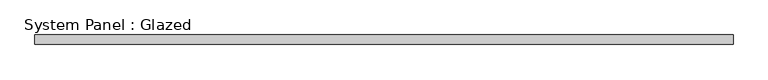
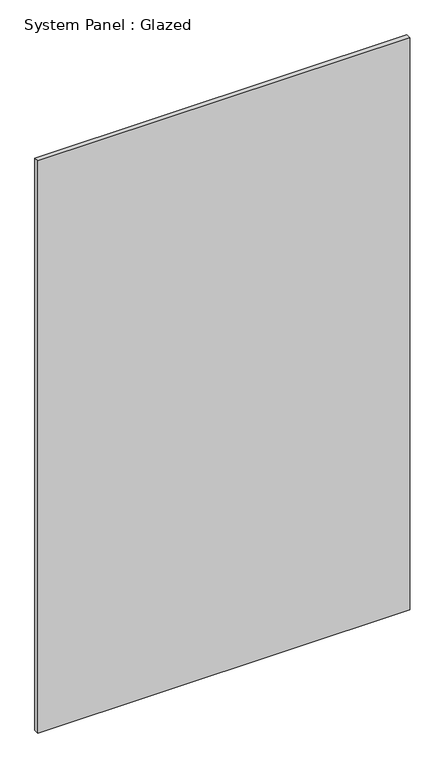
"""IFC4 building model written with IfcOpenShell, lengths in millimetres: plate geometry, System Panel : Glazed."""

from ifc_helpers import new_model, si_unit, origin, origin_with_axes, place, context, project, spatial, polyline, outline, extrude, source, transform, mapped, element, save


def system_panel_glazed_bf0abaaa(model_context):
    return source(origin(), model_context, "Body", "SweptSolid", [
        extrude(outline(polyline([(915.0000002, 24.5), (-915.0000002, 24.5), (-915.0000002, 49.5), (915.0000002, 49.5), (915.0000002, 24.5)])), origin_with_axes(), (0.0, 0.0, 1.0), 2976.0),
    ])


if __name__ == "__main__":
    model = new_model("IFC4")
    model_context = context("Model", 3, world=origin())
    ifc_project = project(units=[si_unit("LENGTHUNIT", "METRE", prefix="MILLI")], contexts=[model_context])
    site = spatial("IfcSite", under=ifc_project)
    building = spatial("IfcBuilding", under=site)
    placement = place(None, origin())
    system_panel_glazed_shape = system_panel_glazed_bf0abaaa(model_context)
    element("IfcPlate", 1, ObjectType="System Panel : Glazed", at=placement, inside=building, context=model_context, shape_type="MappedRepresentation", body=[
        mapped(system_panel_glazed_shape, transform((0.0, 0.0, 0.0), x_axis=(1.0, 0.0, 0.0), y_axis=(0.0, 1.0, 0.0), z_axis=(0.0, 0.0, 1.0))),
    ])
    save(model, "model.ifc")
